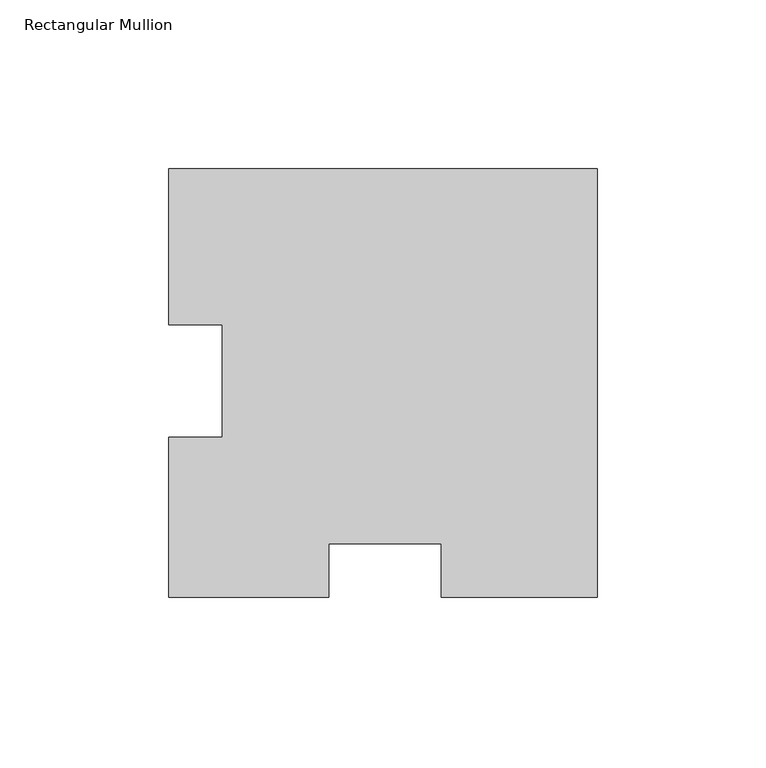
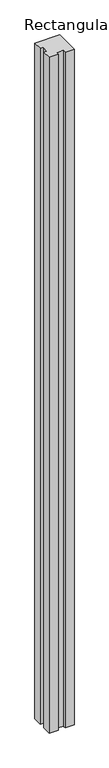
"""IFC4 building model written with IfcOpenShell, lengths in millimetres: member geometry, Rectangular Mullion."""

from ifc_helpers import new_model, si_unit, frame, origin, place, context, project, spatial, polyline, outline, extrude, source, transform, mapped, element, save


def rectangular_mullion_6f010c86(model_context):
    return source(origin(), model_context, "Body", "SweptSolid", [
        extrude(outline(polyline([(-127.0, 159.54375), (0.0, 159.54375), (0.0, 32.54375), (-46.2053234, 32.54375), (-46.2053234, 48.41875), (-79.5459314, 48.41875), (-79.5459314, 32.54375), (-127.0, 32.54375), (-127.0, 80.0024299), (-111.125, 80.0024299), (-111.125, 113.3384266), (-127.0, 113.3384266), (-127.0, 159.54375)])), frame((0.0, 0.0, -3657.6), z_axis=(0.0, 0.0, 1.0), x_axis=(1.0, 0.0, 0.0)), (0.0, 0.0, 1.0), 3657.6),
    ])


if __name__ == "__main__":
    model = new_model("IFC4")
    model_context = context("Model", 3, world=origin())
    ifc_project = project(units=[si_unit("LENGTHUNIT", "METRE", prefix="MILLI")], contexts=[model_context])
    site = spatial("IfcSite", under=ifc_project)
    building = spatial("IfcBuilding", under=site)
    placement = place(None, origin())
    rectangular_mullion_shape = rectangular_mullion_6f010c86(model_context)
    element("IfcMember", 1, ObjectType="Rectangular Mullion", at=placement, inside=building, context=model_context, shape_type="MappedRepresentation", body=[
        mapped(rectangular_mullion_shape, transform((0.0, 0.0, 0.0), x_axis=(1.0, 0.0, 0.0), y_axis=(0.0, 1.0, 0.0), z_axis=(0.0, 0.0, 1.0))),
    ])
    save(model, "model.ifc")
